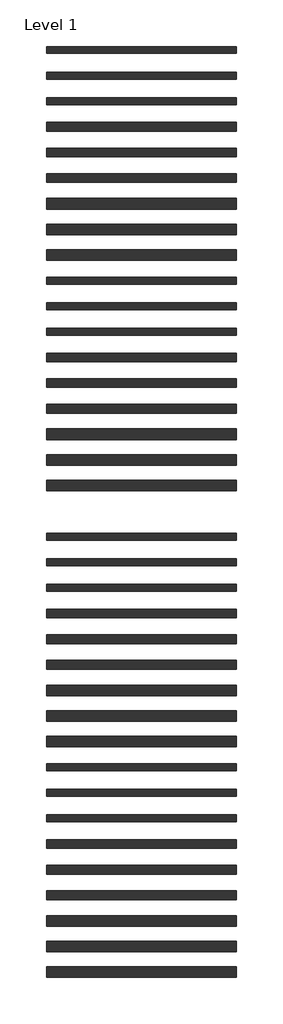
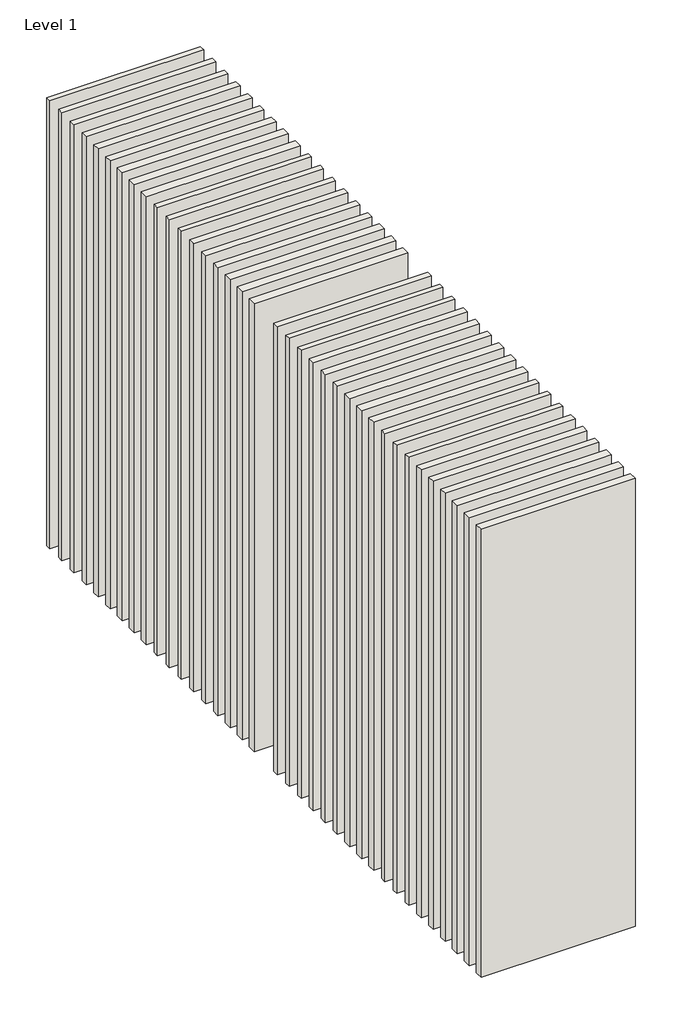
# One storey: 36 walls.
"""IFC4 building model written with IfcOpenShell, lengths in millimetres."""

from ifc_helpers import new_model, si_unit, origin, origin_with_axes, place, context, project, spatial, polyline, outline, extrude, element, save

model = new_model("IFC4")

# Units and contexts
model_context = context("Model", 3, world=origin())
ifc_project = project(units=[si_unit("LENGTHUNIT", "METRE", prefix="MILLI")], contexts=[model_context])

# Site, building, storey
site = spatial("IfcSite", under=ifc_project)
building = spatial("IfcBuilding", under=site)
storey = spatial("IfcBuildingStorey", under=building, Name="Level 1", Elevation=0.0)

# Walls
placement = place(None, origin())
element("IfcWall", 1, at=placement, inside=storey, context=model_context, shape_type="SweptSolid", body=[
    extrude(outline(polyline([(-16904.1464237, 3690.0198817), (-19504.1464237, 3690.0198817), (-19504.1464237, 3785.0198817), (-16904.1464237, 3785.0198817), (-16904.1464237, 3690.0198817)])), origin_with_axes(), (0.0, 0.0, 1.0), 8000.0),
])
element("IfcWall", 2, at=placement, inside=storey, context=model_context, shape_type="SweptSolid", body=[
    extrude(outline(polyline([(-16904.1464237, 3340.0198817), (-19504.1464237, 3340.0198817), (-19504.1464237, 3435.0198817), (-16904.1464237, 3435.0198817), (-16904.1464237, 3340.0198817)])), origin_with_axes(), (0.0, 0.0, 1.0), 8000.0),
])
element("IfcWall", 3, at=placement, inside=storey, context=model_context, shape_type="SweptSolid", body=[
    extrude(outline(polyline([(-16904.1464237, 2990.0198817), (-19504.1464237, 2990.0198817), (-19504.1464237, 3085.0198817), (-16904.1464237, 3085.0198817), (-16904.1464237, 2990.0198817)])), origin_with_axes(), (0.0, 0.0, 1.0), 8000.0),
])
element("IfcWall", 4, at=placement, inside=storey, context=model_context, shape_type="SweptSolid", body=[
    extrude(outline(polyline([(-16904.1464237, 2627.5198817), (-19504.1464237, 2627.5198817), (-19504.1464237, 2747.5198817), (-16904.1464237, 2747.5198817), (-16904.1464237, 2627.5198817)])), origin_with_axes(), (0.0, 0.0, 1.0), 8000.0),
])
element("IfcWall", 5, at=placement, inside=storey, context=model_context, shape_type="SweptSolid", body=[
    extrude(outline(polyline([(-16904.1464237, 2277.5198817), (-19504.1464237, 2277.5198817), (-19504.1464237, 2397.5198817), (-16904.1464237, 2397.5198817), (-16904.1464237, 2277.5198817)])), origin_with_axes(), (0.0, 0.0, 1.0), 8000.0),
])
element("IfcWall", 6, at=placement, inside=storey, context=model_context, shape_type="SweptSolid", body=[
    extrude(outline(polyline([(-16904.1464237, 1927.5198817), (-19504.1464237, 1927.5198817), (-19504.1464237, 2047.5198817), (-16904.1464237, 2047.5198817), (-16904.1464237, 1927.5198817)])), origin_with_axes(), (0.0, 0.0, 1.0), 8000.0),
])
element("IfcWall", 7, at=placement, inside=storey, context=model_context, shape_type="SweptSolid", body=[
    extrude(outline(polyline([(-16904.1464237, 1565.0198817), (-19504.1464237, 1565.0198817), (-19504.1464237, 1710.0198817), (-16904.1464237, 1710.0198817), (-16904.1464237, 1565.0198817)])), origin_with_axes(), (0.0, 0.0, 1.0), 8000.0),
])
element("IfcWall", 8, at=placement, inside=storey, context=model_context, shape_type="SweptSolid", body=[
    extrude(outline(polyline([(-16904.1464237, 1215.0198817), (-19504.1464237, 1215.0198817), (-19504.1464237, 1360.0198817), (-16904.1464237, 1360.0198817), (-16904.1464237, 1215.0198817)])), origin_with_axes(), (0.0, 0.0, 1.0), 8000.0),
])
element("IfcWall", 9, at=placement, inside=storey, context=model_context, shape_type="SweptSolid", body=[
    extrude(outline(polyline([(-16904.1464237, 865.0198817), (-19504.1464237, 865.0198817), (-19504.1464237, 1010.0198817), (-16904.1464237, 1010.0198817), (-16904.1464237, 865.0198817)])), origin_with_axes(), (0.0, 0.0, 1.0), 8000.0),
])
element("IfcWall", 10, at=placement, inside=storey, context=model_context, shape_type="SweptSolid", body=[
    extrude(outline(polyline([(-16904.1464237, 540.0198817), (-19504.1464237, 540.0198817), (-19504.1464237, 635.0198817), (-16904.1464237, 635.0198817), (-16904.1464237, 540.0198817)])), origin_with_axes(), (0.0, 0.0, 1.0), 8000.0),
])
element("IfcWall", 11, at=placement, inside=storey, context=model_context, shape_type="SweptSolid", body=[
    extrude(outline(polyline([(-16904.1464237, 190.0198817), (-19504.1464237, 190.0198817), (-19504.1464237, 285.0198817), (-16904.1464237, 285.0198817), (-16904.1464237, 190.0198817)])), origin_with_axes(), (0.0, 0.0, 1.0), 8000.0),
])
element("IfcWall", 12, at=placement, inside=storey, context=model_context, shape_type="SweptSolid", body=[
    extrude(outline(polyline([(-16904.1464237, -159.9801183), (-19504.1464237, -159.9801183), (-19504.1464237, -64.9801183), (-16904.1464237, -64.9801183), (-16904.1464237, -159.9801183)])), origin_with_axes(), (0.0, 0.0, 1.0), 8000.0),
])
element("IfcWall", 13, at=placement, inside=storey, context=model_context, shape_type="SweptSolid", body=[
    extrude(outline(polyline([(-16904.1464237, -522.4801183), (-19504.1464237, -522.4801183), (-19504.1464237, -402.4801183), (-16904.1464237, -402.4801183), (-16904.1464237, -522.4801183)])), origin_with_axes(), (0.0, 0.0, 1.0), 8000.0),
])
element("IfcWall", 14, at=placement, inside=storey, context=model_context, shape_type="SweptSolid", body=[
    extrude(outline(polyline([(-16904.1464237, -872.4801183), (-19504.1464237, -872.4801183), (-19504.1464237, -752.4801183), (-16904.1464237, -752.4801183), (-16904.1464237, -872.4801183)])), origin_with_axes(), (0.0, 0.0, 1.0), 8000.0),
])
element("IfcWall", 15, at=placement, inside=storey, context=model_context, shape_type="SweptSolid", body=[
    extrude(outline(polyline([(-16904.1464237, -1222.4801183), (-19504.1464237, -1222.4801183), (-19504.1464237, -1102.4801183), (-16904.1464237, -1102.4801183), (-16904.1464237, -1222.4801183)])), origin_with_axes(), (0.0, 0.0, 1.0), 8000.0),
])
element("IfcWall", 16, at=placement, inside=storey, context=model_context, shape_type="SweptSolid", body=[
    extrude(outline(polyline([(-16904.1464237, -1584.9801183), (-19504.1464237, -1584.9801183), (-19504.1464237, -1439.9801183), (-16904.1464237, -1439.9801183), (-16904.1464237, -1584.9801183)])), origin_with_axes(), (0.0, 0.0, 1.0), 8000.0),
])
element("IfcWall", 17, at=placement, inside=storey, context=model_context, shape_type="SweptSolid", body=[
    extrude(outline(polyline([(-16904.1464237, -1934.9801183), (-19504.1464237, -1934.9801183), (-19504.1464237, -1789.9801183), (-16904.1464237, -1789.9801183), (-16904.1464237, -1934.9801183)])), origin_with_axes(), (0.0, 0.0, 1.0), 8000.0),
])
element("IfcWall", 18, at=placement, inside=storey, context=model_context, shape_type="SweptSolid", body=[
    extrude(outline(polyline([(-16904.1464237, -2284.9801183), (-19504.1464237, -2284.9801183), (-19504.1464237, -2139.9801183), (-16904.1464237, -2139.9801183), (-16904.1464237, -2284.9801183)])), origin_with_axes(), (0.0, 0.0, 1.0), 8000.0),
])
element("IfcWall", 19, at=placement, inside=storey, context=model_context, shape_type="SweptSolid", body=[
    extrude(outline(polyline([(-16904.1464237, -2959.9801183), (-19504.1464237, -2959.9801183), (-19504.1464237, -2864.9801183), (-16904.1464237, -2864.9801183), (-16904.1464237, -2959.9801183)])), origin_with_axes(), (0.0, 0.0, 1.0), 8000.0),
])
element("IfcWall", 20, at=placement, inside=storey, context=model_context, shape_type="SweptSolid", body=[
    extrude(outline(polyline([(-16904.1464237, -3309.9801183), (-19504.1464237, -3309.9801183), (-19504.1464237, -3214.9801183), (-16904.1464237, -3214.9801183), (-16904.1464237, -3309.9801183)])), origin_with_axes(), (0.0, 0.0, 1.0), 8000.0),
])
element("IfcWall", 21, at=placement, inside=storey, context=model_context, shape_type="SweptSolid", body=[
    extrude(outline(polyline([(-16904.1464237, -3659.9801183), (-19504.1464237, -3659.9801183), (-19504.1464237, -3564.9801183), (-16904.1464237, -3564.9801183), (-16904.1464237, -3659.9801183)])), origin_with_axes(), (0.0, 0.0, 1.0), 8000.0),
])
element("IfcWall", 22, at=placement, inside=storey, context=model_context, shape_type="SweptSolid", body=[
    extrude(outline(polyline([(-16904.1464237, -4022.4801183), (-19504.1464237, -4022.4801183), (-19504.1464237, -3902.4801183), (-16904.1464237, -3902.4801183), (-16904.1464237, -4022.4801183)])), origin_with_axes(), (0.0, 0.0, 1.0), 8000.0),
])
element("IfcWall", 23, at=placement, inside=storey, context=model_context, shape_type="SweptSolid", body=[
    extrude(outline(polyline([(-16904.1464237, -4372.4801183), (-19504.1464237, -4372.4801183), (-19504.1464237, -4252.4801183), (-16904.1464237, -4252.4801183), (-16904.1464237, -4372.4801183)])), origin_with_axes(), (0.0, 0.0, 1.0), 8000.0),
])
element("IfcWall", 24, at=placement, inside=storey, context=model_context, shape_type="SweptSolid", body=[
    extrude(outline(polyline([(-16904.1464237, -4722.4801183), (-19504.1464237, -4722.4801183), (-19504.1464237, -4602.4801183), (-16904.1464237, -4602.4801183), (-16904.1464237, -4722.4801183)])), origin_with_axes(), (0.0, 0.0, 1.0), 8000.0),
])
element("IfcWall", 25, at=placement, inside=storey, context=model_context, shape_type="SweptSolid", body=[
    extrude(outline(polyline([(-16904.1464237, -5084.9801183), (-19504.1464237, -5084.9801183), (-19504.1464237, -4939.9801183), (-16904.1464237, -4939.9801183), (-16904.1464237, -5084.9801183)])), origin_with_axes(), (0.0, 0.0, 1.0), 8000.0),
])
element("IfcWall", 26, at=placement, inside=storey, context=model_context, shape_type="SweptSolid", body=[
    extrude(outline(polyline([(-16904.1464237, -5434.9801183), (-19504.1464237, -5434.9801183), (-19504.1464237, -5289.9801183), (-16904.1464237, -5289.9801183), (-16904.1464237, -5434.9801183)])), origin_with_axes(), (0.0, 0.0, 1.0), 8000.0),
])
element("IfcWall", 27, at=placement, inside=storey, context=model_context, shape_type="SweptSolid", body=[
    extrude(outline(polyline([(-16904.1464237, -5784.9801183), (-19504.1464237, -5784.9801183), (-19504.1464237, -5639.9801183), (-16904.1464237, -5639.9801183), (-16904.1464237, -5784.9801183)])), origin_with_axes(), (0.0, 0.0, 1.0), 8000.0),
])
element("IfcWall", 28, at=placement, inside=storey, context=model_context, shape_type="SweptSolid", body=[
    extrude(outline(polyline([(-16904.1464237, -6109.9801183), (-19504.1464237, -6109.9801183), (-19504.1464237, -6014.9801183), (-16904.1464237, -6014.9801183), (-16904.1464237, -6109.9801183)])), origin_with_axes(), (0.0, 0.0, 1.0), 8000.0),
])
element("IfcWall", 29, at=placement, inside=storey, context=model_context, shape_type="SweptSolid", body=[
    extrude(outline(polyline([(-16904.1464237, -6459.9801183), (-19504.1464237, -6459.9801183), (-19504.1464237, -6364.9801183), (-16904.1464237, -6364.9801183), (-16904.1464237, -6459.9801183)])), origin_with_axes(), (0.0, 0.0, 1.0), 8000.0),
])
element("IfcWall", 30, at=placement, inside=storey, context=model_context, shape_type="SweptSolid", body=[
    extrude(outline(polyline([(-16904.1464237, -6809.9801183), (-19504.1464237, -6809.9801183), (-19504.1464237, -6714.9801183), (-16904.1464237, -6714.9801183), (-16904.1464237, -6809.9801183)])), origin_with_axes(), (0.0, 0.0, 1.0), 8000.0),
])
element("IfcWall", 31, at=placement, inside=storey, context=model_context, shape_type="SweptSolid", body=[
    extrude(outline(polyline([(-16904.1464237, -7172.4801183), (-19504.1464237, -7172.4801183), (-19504.1464237, -7052.4801183), (-16904.1464237, -7052.4801183), (-16904.1464237, -7172.4801183)])), origin_with_axes(), (0.0, 0.0, 1.0), 8000.0),
])
element("IfcWall", 32, at=placement, inside=storey, context=model_context, shape_type="SweptSolid", body=[
    extrude(outline(polyline([(-16904.1464237, -7522.4801183), (-19504.1464237, -7522.4801183), (-19504.1464237, -7402.4801183), (-16904.1464237, -7402.4801183), (-16904.1464237, -7522.4801183)])), origin_with_axes(), (0.0, 0.0, 1.0), 8000.0),
])
element("IfcWall", 33, at=placement, inside=storey, context=model_context, shape_type="SweptSolid", body=[
    extrude(outline(polyline([(-16904.1464237, -7872.4801183), (-19504.1464237, -7872.4801183), (-19504.1464237, -7752.4801183), (-16904.1464237, -7752.4801183), (-16904.1464237, -7872.4801183)])), origin_with_axes(), (0.0, 0.0, 1.0), 8000.0),
])
element("IfcWall", 34, at=placement, inside=storey, context=model_context, shape_type="SweptSolid", body=[
    extrude(outline(polyline([(-16904.1464237, -8234.9801183), (-19504.1464237, -8234.9801183), (-19504.1464237, -8089.9801183), (-16904.1464237, -8089.9801183), (-16904.1464237, -8234.9801183)])), origin_with_axes(), (0.0, 0.0, 1.0), 8000.0),
])
element("IfcWall", 35, at=placement, inside=storey, context=model_context, shape_type="SweptSolid", body=[
    extrude(outline(polyline([(-16904.1464237, -8584.9801183), (-19504.1464237, -8584.9801183), (-19504.1464237, -8439.9801183), (-16904.1464237, -8439.9801183), (-16904.1464237, -8584.9801183)])), origin_with_axes(), (0.0, 0.0, 1.0), 8000.0),
])
element("IfcWall", 36, at=placement, inside=storey, context=model_context, shape_type="SweptSolid", body=[
    extrude(outline(polyline([(-16904.1464237, -8934.9801183), (-19504.1464237, -8934.9801183), (-19504.1464237, -8789.9801183), (-16904.1464237, -8789.9801183), (-16904.1464237, -8934.9801183)])), origin_with_axes(), (0.0, 0.0, 1.0), 8000.0),
])

save(model, "model.ifc")
